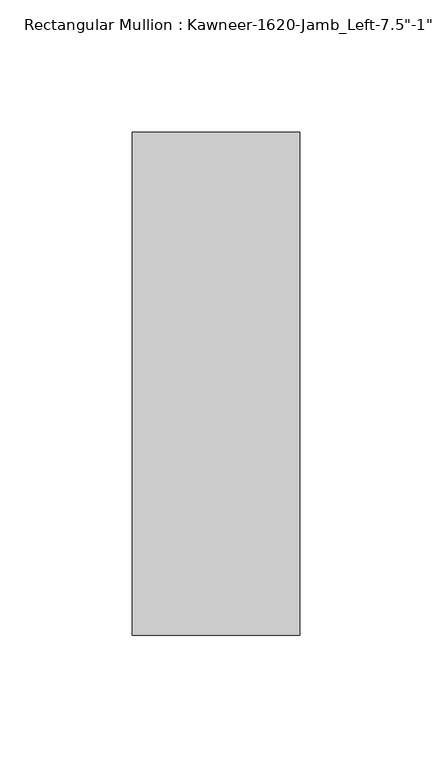
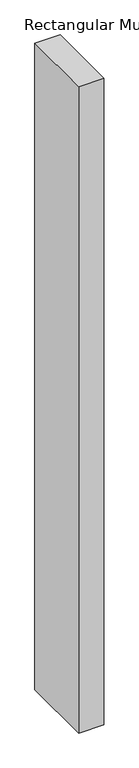
"""IFC4 building model written with IfcOpenShell, lengths in millimetres: member geometry."""

from ifc_helpers import new_model, si_unit, frame, origin, place, context, project, spatial, polyline, outline, extrude, source, transform, mapped, element, save


def member_ea601331(model_context):
    return source(origin(), model_context, "Body", "SweptSolid", [
        extrude(outline(polyline([(22.225, 38.1), (22.225, -152.4), (-41.275, -152.4), (-41.275, 38.1), (22.225, 38.1)])), frame((0.0, 0.0, -1720.85), z_axis=(0.0, 0.0, 1.0), x_axis=(1.0, 0.0, 0.0)), (0.0, 0.0, 1.0), 1720.85),
    ])


if __name__ == "__main__":
    model = new_model("IFC4")
    model_context = context("Model", 3, world=origin())
    ifc_project = project(units=[si_unit("LENGTHUNIT", "METRE", prefix="MILLI")], contexts=[model_context])
    site = spatial("IfcSite", under=ifc_project)
    building = spatial("IfcBuilding", under=site)
    placement = place(None, origin())
    member_shape = member_ea601331(model_context)
    element("IfcMember", 1, ObjectType="Rectangular Mullion : Kawneer-1620-Jamb_Left-7.5\"-1\"Infill", at=placement, inside=building, context=model_context, shape_type="MappedRepresentation", body=[
        mapped(member_shape, transform((0.0, 0.0, 0.0), x_axis=(1.0, 0.0, 0.0), y_axis=(0.0, 1.0, 0.0), z_axis=(0.0, 0.0, 1.0))),
    ])
    save(model, "model.ifc")
